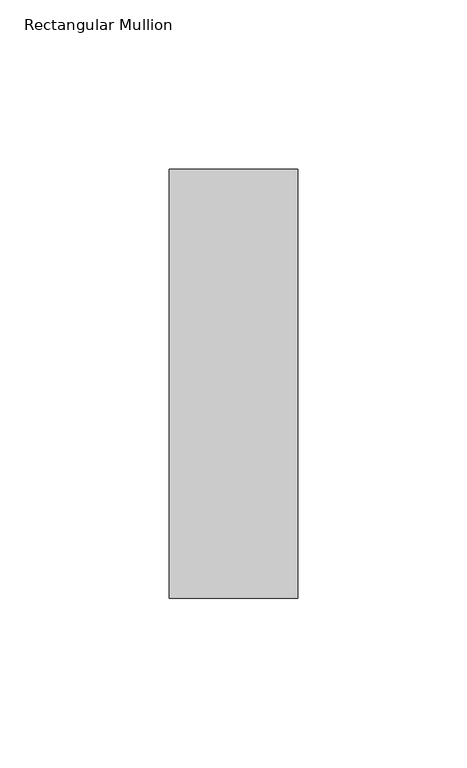
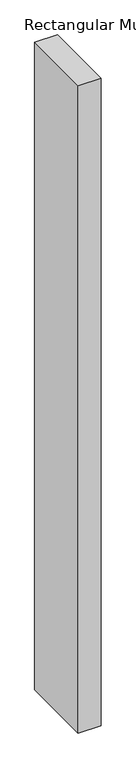
"""IFC4 building model written with IfcOpenShell, lengths in millimetres: member geometry, Rectangular Mullion."""

from ifc_helpers import new_model, si_unit, frame, origin, place, context, project, spatial, polyline, outline, extrude, source, transform, mapped, element, save


def rectangular_mullion_1354012e(model_context):
    return source(origin(), model_context, "Body", "SweptSolid", [
        extrude(outline(polyline([(-38.1081094, -63.5), (-38.1081094, 63.5), (0.0, 63.5), (0.0, -63.5), (-38.1081094, -63.5)])), frame((0.0, 0.0, -1151.4560459), z_axis=(0.0, 0.0, 1.0), x_axis=(1.0, 0.0, 0.0)), (0.0, 0.0, 1.0), 1151.4560459),
    ])


if __name__ == "__main__":
    model = new_model("IFC4")
    model_context = context("Model", 3, world=origin())
    ifc_project = project(units=[si_unit("LENGTHUNIT", "METRE", prefix="MILLI")], contexts=[model_context])
    site = spatial("IfcSite", under=ifc_project)
    building = spatial("IfcBuilding", under=site)
    placement = place(None, origin())
    rectangular_mullion_shape = rectangular_mullion_1354012e(model_context)
    element("IfcMember", 1, ObjectType="Rectangular Mullion", at=placement, inside=building, context=model_context, shape_type="MappedRepresentation", body=[
        mapped(rectangular_mullion_shape, transform((0.0, 0.0, 0.0), x_axis=(1.0, 0.0, 0.0), y_axis=(0.0, 1.0, 0.0), z_axis=(0.0, 0.0, 1.0))),
    ])
    save(model, "model.ifc")
